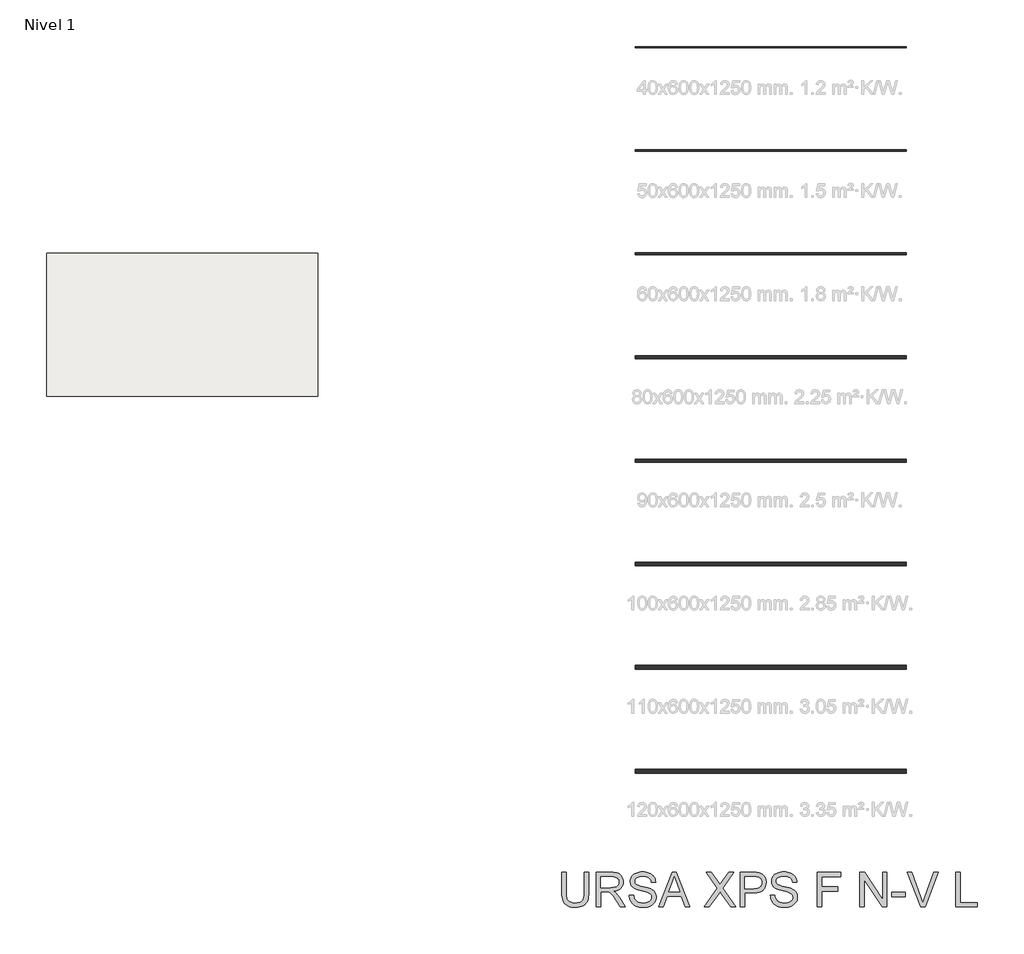
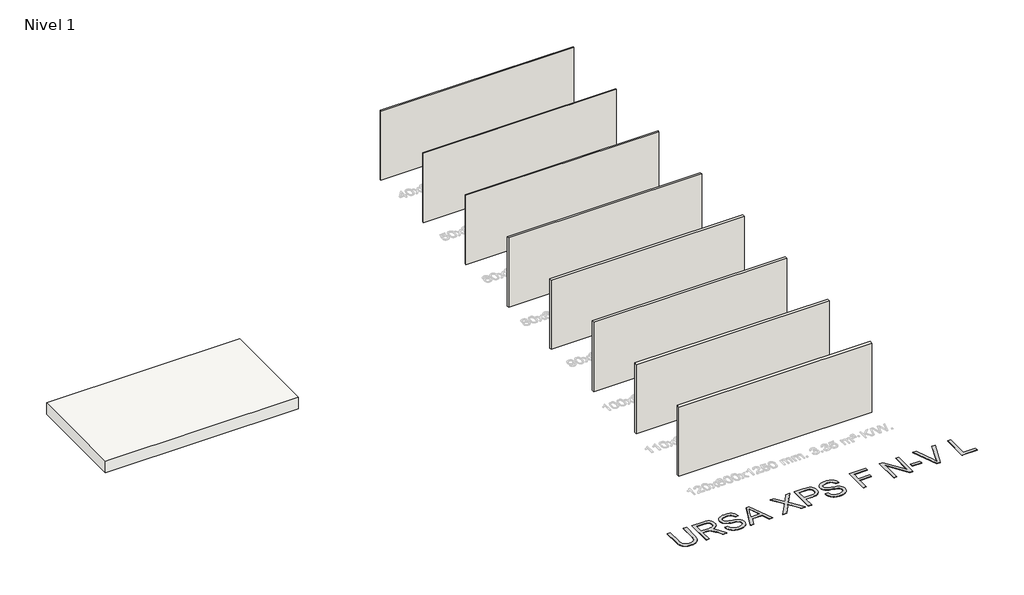
# One storey, part 1 of 9: 8 walls, 1 proxy, 1 slab.
"""IFC4 building model written with IfcOpenShell, lengths in millimetres."""

from ifc_helpers import new_model, si_unit, frame, origin, origin_with_axes, place, context, project, spatial, polyline, outline, extrude, element, save

model = new_model("IFC4")

# Units and contexts
model_context = context("Model", 3, world=origin())
ifc_project = project(units=[si_unit("LENGTHUNIT", "METRE", prefix="MILLI")], contexts=[model_context])

# Site, building, storey
site = spatial("IfcSite", under=ifc_project)
building = spatial("IfcBuilding", under=site)
storey = spatial("IfcBuildingStorey", under=building, Name="Nivel 1", Elevation=0.0)

# Proxy
placement = place(None, origin())
element("IfcBuildingElementProxy", 1, Name="Texto de modelo 2", ObjectType="Texto de modelo 2", at=placement, inside=storey, context=model_context, shape_type="SweptSolid", body=[
    extrude(outline(polyline([(-8007.2011815, -20045.8387308), (-7881.6307938, -20045.8387308), (-7881.6307938, -20625.3755006), (-7883.7614437, -20697.1354823), (-7890.1533933, -20761.0933), (-7900.8066428, -20817.2489537), (-7915.721192, -20865.6024434), (-7936.184628, -20907.985515), (-7963.4845377, -20946.229914), (-7997.6209212, -20980.3356407), (-8038.5937784, -21010.3026949), (-8086.4490946, -21034.7131981), (-8141.2328551, -21052.1492718), (-8202.9450597, -21062.6109161), (-8271.5857087, -21066.0981308), (-8338.5325676, -21063.0631043), (-8399.0874768, -21053.958025), (-8453.2504364, -21038.7828927), (-8501.0214463, -21017.5377074), (-8542.4081708, -20990.5367018), (-8577.418274, -20958.0941084), (-8606.051756, -20920.2099271), (-8628.3086167, -20876.8841579), (-8644.993598, -20826.6299446), (-8656.9114418, -20767.9604305), (-8664.0621481, -20700.8756159), (-8666.4457168, -20625.3755006), (-8666.4457168, -20045.8387308), (-8540.8753292, -20045.8387308), (-8540.8753292, -20620.9609166), (-8539.3271591, -20681.66911), (-8534.6826489, -20733.8087187), (-8526.9417986, -20777.3797425), (-8516.1046081, -20812.3821815), (-8501.4966273, -20841.3452244), (-8482.4434056, -20866.7980599), (-8458.9449431, -20888.7406881), (-8431.0012399, -20907.1731089), (-8399.1487905, -20921.7657614), (-8363.9240895, -20932.1890846), (-8325.3271368, -20938.4430785), (-8283.3579325, -20940.5277431), (-8214.1501322, -20936.4043991), (-8155.6415665, -20924.034367), (-8107.8322356, -20903.4176468), (-8087.9397831, -20890.0167788), (-8070.7221393, -20874.5542386), (-8055.8344148, -20856.1601389), (-8042.9317203, -20833.9645918), (-8023.0814209, -20778.1691559), (-8011.1712413, -20707.1679308), (-8007.2011815, -20620.9609166), (-8007.2011815, -20045.8387308)])), origin_with_axes(), (0.0, 0.0, 1.0), 10.0),
    extrude(outline(polyline([(-7661.8826153, -21050.4018323), (-7661.8826153, -20045.8387308), (-7229.0081344, -20045.8387308), (-7166.8743982, -20047.5325209), (-7112.6654534, -20052.6138909), (-7066.3812999, -20061.082841), (-7028.0219377, -20072.9393712), (-6995.3570822, -20089.0955221), (-6966.1564488, -20110.4633347), (-6940.4200376, -20137.0428088), (-6918.1478484, -20168.8339446), (-6900.1752801, -20204.1276235), (-6887.3377313, -20241.2147271), (-6879.6352021, -20280.0952555), (-6877.0676923, -20320.7692086), (-6881.3213279, -20372.3646584), (-6894.0822346, -20419.7294653), (-6915.3504124, -20462.8636292), (-6945.1258614, -20501.7671502), (-6983.7917919, -20535.1984265), (-7031.7314144, -20561.9158564), (-7088.9447289, -20581.9194399), (-7155.4317353, -20595.209177), (-7114.0450109, -20622.2485036), (-7084.0626283, -20648.9199483), (-7032.6204626, -20709.9270458), (-6982.2819429, -20778.1691559), (-6814.7730078, -21050.4018323), (-6960.6995325, -21050.4018323), (-7091.4202682, -20842.1806231), (-7143.7208251, -20762.7181121), (-7185.8433136, -20704.3475022), (-7220.9453873, -20664.1563942), (-7252.1847, -20639.2323891), (-7281.7685438, -20624.6090798), (-7311.9042106, -20615.3200594), (-7384.7448456, -20610.9054754), (-7536.3122277, -20610.9054754), (-7536.3122277, -21050.4018323), (-7661.8826153, -21050.4018323)]), holes=[polyline([(-7536.3122277, -20485.3350877), (-7255.2503833, -20485.3350877), (-7174.5309422, -20480.889847), (-7111.8990326, -20467.5541246), (-7086.7144443, -20457.3300709), (-7064.7488235, -20444.4388726), (-7046.0021702, -20428.8805299), (-7030.4744843, -20410.6550427), (-7018.2960574, -20390.6591234), (-7009.5971811, -20369.7894844), (-7004.3778553, -20348.0461257), (-7002.63808, -20325.4290472), (-7005.9566821, -20293.3160147), (-7015.9124886, -20264.176695), (-7032.5054995, -20238.0110881), (-7055.7357146, -20214.819194), (-7086.1396287, -20195.827286), (-7124.2537362, -20182.2616374), (-7170.0780372, -20174.1222482), (-7223.6125318, -20171.4091185), (-7536.3122277, -20171.4091185), (-7536.3122277, -20485.3350877)])]), origin_with_axes(), (0.0, 0.0, 1.0), 10.0),
    extrude(outline(polyline([(-6704.4084092, -20705.0832662), (-6578.8380215, -20705.0832662), (-6573.0898654, -20741.6338753), (-6564.4293101, -20774.7662475), (-6552.8563556, -20804.4803828), (-6538.3710021, -20830.7762812), (-6520.2374854, -20854.1827732), (-6497.7200416, -20875.228689), (-6470.8186707, -20893.9140286), (-6439.5333727, -20910.2387922), (-6405.0137788, -20923.4902082), (-6368.4095203, -20932.9555054), (-6329.7205971, -20938.6346837), (-6288.9470093, -20940.5277431), (-6218.9881166, -20934.7949154), (-6187.2736229, -20927.6288807), (-6157.7357644, -20917.5964321), (-6131.1026408, -20905.0577874), (-6108.1023519, -20890.3731644), (-6088.7348977, -20873.5425632), (-6073.0002782, -20854.5659836), (-6060.8218513, -20834.263496), (-6052.1229749, -20813.4551706), (-6046.9036491, -20792.1410075), (-6045.1638739, -20770.3210067), (-6050.3755355, -20728.2904887), (-6066.0105203, -20691.9621417), (-6079.1623016, -20675.8443118), (-6097.7709992, -20660.9680836), (-6121.836613, -20647.3334572), (-6151.3591431, -20634.9404325), (-6217.6698728, -20615.2280889), (-6334.1964947, -20586.9931457), (-6454.2179957, -20555.2633237), (-6498.0189457, -20539.9732282), (-6531.0133622, -20525.0663432), (-6564.5442732, -20505.0627597), (-6593.5226445, -20482.8212274), (-6617.9484762, -20458.3417463), (-6637.8217681, -20431.6243164), (-6653.2191624, -20402.9448492), (-6664.2173013, -20372.5792562), (-6670.8161845, -20340.5275374), (-6673.0158123, -20306.7896928), (-6670.2950184, -20269.3960208), (-6662.1326366, -20233.2439506), (-6648.528667, -20198.333482), (-6629.4831095, -20164.6646153), (-6605.2105621, -20133.6092435), (-6575.9256224, -20106.53926), (-6541.6282906, -20083.4546648), (-6502.3185665, -20064.3554579), (-6459.3223584, -20049.3872593), (-6413.965574, -20038.6956888), (-6366.2482136, -20032.2807465), (-6316.170277, -20030.1424324), (-6261.5398007, -20032.3803812), (-6210.2202624, -20039.0942276), (-6162.211662, -20050.2839716), (-6117.5139996, -20065.9496132), (-6076.9550096, -20085.9531967), (-6041.3624266, -20110.1567663), (-6010.7362505, -20138.560322), (-5985.0764813, -20171.1638639), (-5964.5823885, -20207.01703), (-5949.4532415, -20245.1694586), (-5939.6890402, -20285.6211496), (-5935.2897846, -20328.3721031), (-6060.8601723, -20328.3721031), (-6069.2601446, -20288.3036225), (-6083.9141107, -20253.4468035), (-6104.8220708, -20223.801646), (-6131.9840247, -20199.3681502), (-6165.9058104, -20180.2689432), (-6207.0932654, -20166.6266526), (-6255.5463899, -20158.4412782), (-6311.2651837, -20155.7128201), (-6368.7620739, -20158.4106214), (-6417.8896487, -20166.5040253), (-6458.647908, -20179.9930317), (-6491.036852, -20198.8776408), (-6515.7156025, -20221.5790256), (-6533.3432815, -20246.5183592), (-6543.9198888, -20273.6956416), (-6547.4454246, -20303.1108728), (-6544.9468927, -20328.4180884), (-6537.4512971, -20351.3647278), (-6524.9586377, -20371.9507911), (-6507.4689145, -20390.1762783), (-6479.9390785, -20407.4360753), (-6436.5903167, -20424.8798132), (-6377.4226292, -20442.5074921), (-6302.4360158, -20460.3191121), (-6163.9897583, -20493.9803146), (-6115.2760508, -20509.2014322), (-6080.2352907, -20523.3495606), (-6041.7379728, -20544.7940152), (-6008.6515859, -20568.9056143), (-5980.9761299, -20595.6843579), (-5958.711605, -20625.1302459), (-5941.597428, -20657.0899942), (-5929.3730159, -20691.4103187), (-5922.0383686, -20728.0912193), (-5919.5934862, -20767.1326961), (-5922.4062506, -20806.4117632), (-5930.8445439, -20844.5411992), (-5944.908366, -20881.5210039), (-5964.5977169, -20917.3511774), (-5989.5677074, -20950.644498), (-6019.4734479, -20980.0137439), (-6054.3149385, -21005.4589153), (-6094.0921792, -21026.980012), (-6137.6478746, -21044.094189), (-6183.8247292, -21056.3186011), (-6232.622743, -21063.6532484), (-6284.0419161, -21066.0981308), (-6348.2756453, -21063.4616432), (-6407.0677866, -21055.5521803), (-6460.4183401, -21042.3697421), (-6508.3273058, -21023.9143287), (-6551.0859235, -21000.1552832), (-6588.9854332, -20971.0619487), (-6622.0258349, -20936.6343253), (-6650.2071286, -20896.872413), (-6672.9085134, -20853.0637988), (-6689.5091884, -20806.4960695), (-6700.0091537, -20757.1692253), (-6704.4084092, -20705.0832662)])), origin_with_axes(), (0.0, 0.0, 1.0), 10.0),
    extrude(outline(polyline([(-5848.2243791, -21050.4018323), (-5447.2330044, -20045.8387308), (-5340.3019711, -20045.8387308), (-4939.3105964, -21050.4018323), (-5071.9933693, -21050.4018323), (-5187.0178065, -20736.4758631), (-5600.7624237, -20736.4758631), (-5715.5416062, -21050.4018323), (-5848.2243791, -21050.4018323)]), holes=[polyline([(-5554.654547, -20610.9054754), (-5232.8804285, -20610.9054754), (-5323.3793993, -20363.9340293), (-5393.7674877, -20171.4091185), (-5456.3074269, -20342.351619), (-5554.654547, -20610.9054754)])]), origin_with_axes(), (0.0, 0.0, 1.0), 10.0),
    extrude(outline(polyline([(-4522.6229232, -21050.4018323), (-4135.3658096, -20502.9934235), (-4459.8377293, -20045.8387308), (-4309.251366, -20045.8387308), (-4126.5366417, -20303.1108728), (-4082.9426253, -20368.2872996), (-4064.9777212, -20403.4200302), (-3992.8728501, -20301.3940902), (-3812.1201631, -20045.8387308), (-3659.3265078, -20045.8387308), (-3983.7984276, -20504.4649515), (-3596.541314, -21050.4018323), (-3747.1276773, -21050.4018323), (-4005.1355833, -20686.4439118), (-4058.8463546, -20610.9054754), (-4117.9527285, -20693.8015517), (-4369.8292678, -21050.4018323), (-4522.6229232, -21050.4018323)])), origin_with_axes(), (0.0, 0.0, 1.0), 10.0),
    extrude(outline(polyline([(-3470.9709263, -21050.4018323), (-3470.9709263, -20045.8387308), (-3098.6743472, -20045.8387308), (-3011.9768236, -20048.2299638), (-2948.5784931, -20055.4036627), (-2913.6373678, -20062.9375794), (-2881.6546268, -20073.2765963), (-2852.6302703, -20086.4207134), (-2826.5642981, -20102.3699308), (-2803.1807988, -20121.4538093), (-2782.2038608, -20144.0019099), (-2763.6334843, -20170.0142326), (-2747.4696691, -20199.4907775), (-2734.3792014, -20231.45819), (-2725.0288674, -20264.9431158), (-2719.418667, -20299.9455548), (-2717.5486002, -20336.465507), (-2722.5993134, -20398.1317265), (-2737.7514531, -20454.8621958), (-2763.0050192, -20506.656915), (-2798.3600118, -20553.5158842), (-2820.5957959, -20574.3242095), (-2846.8974425, -20592.3580915), (-2877.2649516, -20607.6175301), (-2911.6983231, -20620.1025253), (-2950.1975571, -20629.8130771), (-2992.7626536, -20636.7491856), (-3090.0904339, -20642.2980724), (-3345.4005386, -20642.2980724), (-3345.4005386, -21050.4018323), (-3470.9709263, -21050.4018323)]), holes=[polyline([(-3345.4005386, -20516.7276847), (-3082.732794, -20516.7276847), (-3022.3388332, -20513.8459424), (-2971.3871768, -20505.2007155), (-2929.877825, -20490.792004), (-2897.8107778, -20470.6198079), (-2873.8831197, -20445.2206219), (-2856.7919353, -20415.1309403), (-2846.5372247, -20380.3507634), (-2843.1189879, -20340.880091), (-2845.1346746, -20311.5721587), (-2851.1817349, -20284.4715184), (-2861.2601687, -20259.57817), (-2875.3699761, -20236.8921137), (-2892.7600646, -20217.1491133), (-2912.6793418, -20201.0849328), (-2935.1278077, -20188.6995723), (-2960.1054623, -20179.9930317), (-3008.5432584, -20173.5550968), (-3085.67585, -20171.4091185), (-3345.4005386, -20171.4091185), (-3345.4005386, -20516.7276847)])]), origin_with_axes(), (0.0, 0.0, 1.0), 10.0),
    extrude(outline(polyline([(-2591.9782125, -20705.0832662), (-2466.4078248, -20705.0832662), (-2460.6596686, -20741.6338753), (-2451.9991133, -20774.7662475), (-2440.4261589, -20804.4803828), (-2425.9408053, -20830.7762812), (-2407.8072886, -20854.1827732), (-2385.2898449, -20875.228689), (-2358.388474, -20893.9140286), (-2327.103176, -20910.2387922), (-2292.5835821, -20923.4902082), (-2255.9793236, -20932.9555054), (-2217.2904004, -20938.6346837), (-2176.5168126, -20940.5277431), (-2106.5579198, -20934.7949154), (-2074.8434262, -20927.6288807), (-2045.3055676, -20917.5964321), (-2018.672444, -20905.0577874), (-1995.6721551, -20890.3731644), (-1976.3047009, -20873.5425632), (-1960.5700814, -20854.5659836), (-1948.3916545, -20834.263496), (-1939.6927782, -20813.4551706), (-1934.4734524, -20792.1410075), (-1932.7336771, -20770.3210067), (-1937.9453387, -20728.2904887), (-1953.5803235, -20691.9621417), (-1966.7321048, -20675.8443118), (-1985.3408024, -20660.9680836), (-2009.4064163, -20647.3334572), (-2038.9289464, -20634.9404325), (-2105.239676, -20615.2280889), (-2221.766298, -20586.9931457), (-2341.7877989, -20555.2633237), (-2385.588749, -20539.9732282), (-2418.5831654, -20525.0663432), (-2452.1140764, -20505.0627597), (-2481.0924478, -20482.8212274), (-2505.5182794, -20458.3417463), (-2525.3915714, -20431.6243164), (-2540.7889657, -20402.9448492), (-2551.7871045, -20372.5792562), (-2558.3859878, -20340.5275374), (-2560.5856156, -20306.7896928), (-2557.8648216, -20269.3960208), (-2549.7024399, -20233.2439506), (-2536.0984703, -20198.333482), (-2517.0529128, -20164.6646153), (-2492.7803653, -20133.6092435), (-2463.4954257, -20106.53926), (-2429.1980938, -20083.4546648), (-2389.8883698, -20064.3554579), (-2346.8921616, -20049.3872593), (-2301.5353773, -20038.6956888), (-2253.8180168, -20032.2807465), (-2203.7400802, -20030.1424324), (-2149.109604, -20032.3803812), (-2097.7900656, -20039.0942276), (-2049.7814653, -20050.2839716), (-2005.0838028, -20065.9496132), (-1964.5248129, -20085.9531967), (-1928.9322298, -20110.1567663), (-1898.3060537, -20138.560322), (-1872.6462846, -20171.1638639), (-1852.1521918, -20207.01703), (-1837.0230447, -20245.1694586), (-1827.2588434, -20285.6211496), (-1822.8595879, -20328.3721031), (-1948.4299756, -20328.3721031), (-1956.8299478, -20288.3036225), (-1971.4839139, -20253.4468035), (-1992.391874, -20223.801646), (-2019.553828, -20199.3681502), (-2053.4756136, -20180.2689432), (-2094.6630687, -20166.6266526), (-2143.1161931, -20158.4412782), (-2198.834987, -20155.7128201), (-2256.3318771, -20158.4106214), (-2305.4594519, -20166.5040253), (-2346.2177113, -20179.9930317), (-2378.6066553, -20198.8776408), (-2403.2854058, -20221.5790256), (-2420.9130847, -20246.5183592), (-2431.4896921, -20273.6956416), (-2435.0152279, -20303.1108728), (-2432.516696, -20328.4180884), (-2425.0211003, -20351.3647278), (-2412.5284409, -20371.9507911), (-2395.0387177, -20390.1762783), (-2367.5088818, -20407.4360753), (-2324.16012, -20424.8798132), (-2264.9924324, -20442.5074921), (-2190.0058191, -20460.3191121), (-2051.5595616, -20493.9803146), (-2002.845854, -20509.2014322), (-1967.805094, -20523.3495606), (-1929.307776, -20544.7940152), (-1896.2213891, -20568.9056143), (-1868.5459332, -20595.6843579), (-1846.2814083, -20625.1302459), (-1829.1672313, -20657.0899942), (-1816.9428191, -20691.4103187), (-1809.6081719, -20728.0912193), (-1807.1632894, -20767.1326961), (-1809.9760539, -20806.4117632), (-1818.4143471, -20844.5411992), (-1832.4781692, -20881.5210039), (-1852.1675202, -20917.3511774), (-1877.1375106, -20950.644498), (-1907.0432511, -20980.0137439), (-1941.8847418, -21005.4589153), (-1981.6619825, -21026.980012), (-2025.2176779, -21044.094189), (-2071.3945325, -21056.3186011), (-2120.1925463, -21063.6532484), (-2171.6117193, -21066.0981308), (-2235.8454485, -21063.4616432), (-2294.6375899, -21055.5521803), (-2347.9881434, -21042.3697421), (-2395.897109, -21023.9143287), (-2438.6557268, -21000.1552832), (-2476.5552365, -20971.0619487), (-2509.5956382, -20936.6343253), (-2537.7769319, -20896.872413), (-2560.4783166, -20853.0637988), (-2577.0789917, -20806.4960695), (-2587.578957, -20757.1692253), (-2591.9782125, -20705.0832662)])), origin_with_axes(), (0.0, 0.0, 1.0), 10.0),
    extrude(outline(polyline([(-1226.4002464, -21050.4018323), (-1226.4002464, -20045.8387308), (-551.4594126, -20045.8387308), (-551.4594126, -20171.4091185), (-1100.8298587, -20171.4091185), (-1100.8298587, -20469.6387893), (-629.9409049, -20469.6387893), (-629.9409049, -20595.209177), (-1100.8298587, -20595.209177), (-1100.8298587, -21050.4018323), (-1226.4002464, -21050.4018323)])), origin_with_axes(), (0.0, 0.0, 1.0), 10.0),
    extrude(outline(polyline([(13.607332, -21050.4018323), (13.607332, -20045.8387308), (148.0068876, -20045.8387308), (672.8518674, -20841.6901137), (672.8518674, -20045.8387308), (798.4222551, -20045.8387308), (798.4222551, -21050.4018323), (664.0226995, -21050.4018323), (139.1777197, -20254.3051948), (139.1777197, -21050.4018323), (13.607332, -21050.4018323)])), origin_with_axes(), (0.0, 0.0, 1.0), 10.0),
    extrude(outline(polyline([(939.6889412, -20752.1721616), (939.6889412, -20626.6017739), (1332.0964027, -20626.6017739), (1332.0964027, -20752.1721616), (939.6889412, -20752.1721616)])), origin_with_axes(), (0.0, 0.0, 1.0), 10.0),
    extrude(outline(polyline([(1785.8175301, -21050.4018323), (1386.0524287, -20045.8387308), (1520.4519843, -20045.8387308), (1788.0248221, -20769.5852427), (1817.76195, -20853.8915332), (1842.2261027, -20932.6795939), (1867.1194511, -20851.0711046), (1895.6916194, -20769.5852427), (2164.0002212, -20045.8387308), (2298.3997767, -20045.8387308), (1915.5572471, -21050.4018323), (1785.8175301, -21050.4018323)])), origin_with_axes(), (0.0, 0.0, 1.0), 10.0),
    extrude(outline(polyline([(2807.5484581, -21050.4018323), (2807.5484581, -20045.8387308), (2933.1188457, -20045.8387308), (2933.1188457, -20924.8314446), (3435.4003965, -20924.8314446), (3435.4003965, -21050.4018323), (2807.5484581, -21050.4018323)])), origin_with_axes(), (0.0, 0.0, 1.0), 10.0),
])

# Slab
element("IfcSlab", 2, at=placement, inside=storey, context=model_context, shape_type="SweptSolid", body=[
    extrude(outline(polyline([(-15769.5892022, -2020.2851318), (-15769.5892022, -6187.1000163), (-23669.5892022, -6187.1000163), (-23669.5892022, -2020.2851318), (-15769.5892022, -2020.2851318)])), frame((0.0, 0.0, -490.0), z_axis=(0.0, 0.0, 1.0), x_axis=(1.0, 0.0, 0.0)), (0.0, 0.0, 1.0), 490.0),
])

# Walls
element("IfcWall", 3, at=placement, inside=storey, context=model_context, shape_type="SweptSolid", body=[
    extrude(outline(polyline([(1368.7582768, 3960.3831431), (-6531.2417232, 3960.3831431), (-6531.2417232, 4000.3831431), (1368.7582768, 4000.3831431), (1368.7582768, 3960.3831431)])), origin_with_axes(), (0.0, 0.0, 1.0), 3000.0),
])
element("IfcWall", 4, at=placement, inside=storey, context=model_context, shape_type="SweptSolid", body=[
    extrude(outline(polyline([(1368.7582768, 950.3831431), (-6531.2417232, 950.3831431), (-6531.2417232, 1000.3831431), (1368.7582768, 1000.3831431), (1368.7582768, 950.3831431)])), origin_with_axes(), (0.0, 0.0, 1.0), 3000.0),
])
element("IfcWall", 5, at=placement, inside=storey, context=model_context, shape_type="SweptSolid", body=[
    extrude(outline(polyline([(1368.7582768, -2063.6168569), (-6531.2417232, -2063.6168569), (-6531.2417232, -2003.6168569), (1368.7582768, -2003.6168569), (1368.7582768, -2063.6168569)])), origin_with_axes(), (0.0, 0.0, 1.0), 3000.0),
])
element("IfcWall", 6, at=placement, inside=storey, context=model_context, shape_type="SweptSolid", body=[
    extrude(outline(polyline([(1368.7582768, -5087.6168569), (-6531.2417232, -5087.6168569), (-6531.2417232, -5007.6168569), (1368.7582768, -5007.6168569), (1368.7582768, -5087.6168569)])), origin_with_axes(), (0.0, 0.0, 1.0), 3000.0),
])
element("IfcWall", 7, at=placement, inside=storey, context=model_context, shape_type="SweptSolid", body=[
    extrude(outline(polyline([(1368.7582768, -8101.6168569), (-6531.2417232, -8101.6168569), (-6531.2417232, -8011.6168569), (1368.7582768, -8011.6168569), (1368.7582768, -8101.6168569)])), origin_with_axes(), (0.0, 0.0, 1.0), 3000.0),
])
element("IfcWall", 8, at=placement, inside=storey, context=model_context, shape_type="SweptSolid", body=[
    extrude(outline(polyline([(1368.7582768, -11115.6168569), (-6531.2417232, -11115.6168569), (-6531.2417232, -11015.6168569), (1368.7582768, -11015.6168569), (1368.7582768, -11115.6168569)])), origin_with_axes(), (0.0, 0.0, 1.0), 3000.0),
])
element("IfcWall", 9, at=placement, inside=storey, context=model_context, shape_type="SweptSolid", body=[
    extrude(outline(polyline([(1368.7582768, -14129.6168569), (-6531.2417232, -14129.6168569), (-6531.2417232, -14019.6168569), (1368.7582768, -14019.6168569), (1368.7582768, -14129.6168569)])), origin_with_axes(), (0.0, 0.0, 1.0), 3000.0),
])
element("IfcWall", 10, at=placement, inside=storey, context=model_context, shape_type="SweptSolid", body=[
    extrude(outline(polyline([(1368.7582768, -17163.6168569), (-6531.2417232, -17163.6168569), (-6531.2417232, -17043.6168569), (1368.7582768, -17043.6168569), (1368.7582768, -17163.6168569)])), origin_with_axes(), (0.0, 0.0, 1.0), 3000.0),
])

save(model, "model.ifc")
